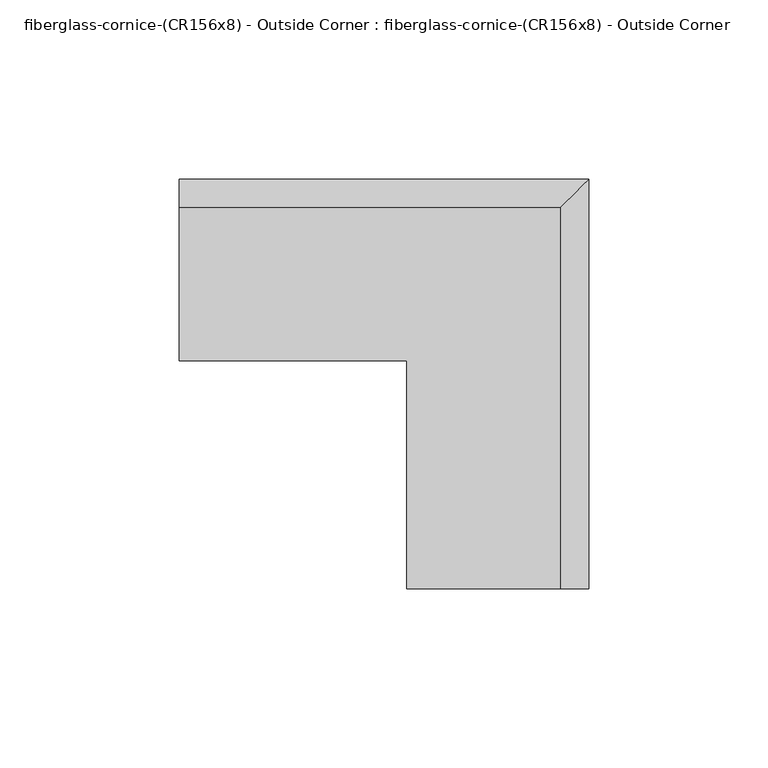
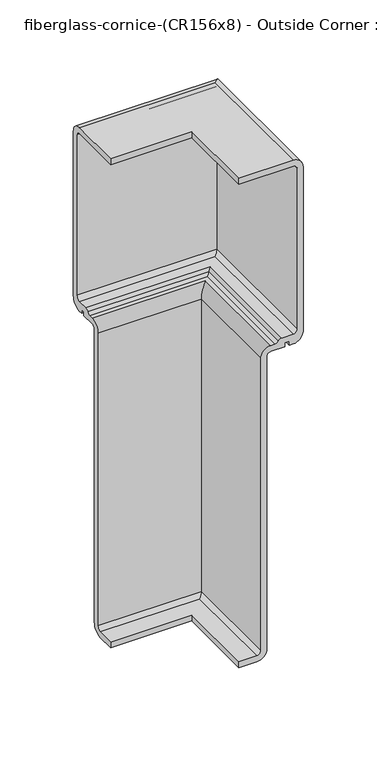
"""IFC4 building model written with IfcOpenShell, lengths in millimetres: furniture geometry, fiberglass-cornice-(CR156x8) - Outside Corner : fiberglass-cornice-(CR156x8) - Outside Corner."""

from ifc_helpers import new_model, si_unit, frame, origin, place, context, project, spatial, polyline, circle_curve, ellipse_curve, source, transform, mapped, element, save
from ifc_brep_helpers import plane_surface, cylinder_surface, revolved_surface, advanced_brep


def fiberglass_cornice_cr156x8_outside_corner_fiberglass_cornice_8d8a5fb3(model_context):
    return source(origin(), model_context, "Body", "AdvancedBrep", [
        advanced_brep(
        [(-196.9488213, 144.4626174, 330.199386), (-196.9488213, 152.4000055, 322.261886), (-196.9488213, 152.4000055, 185.6777256), (-196.9488213, 144.4625055, 177.7402256), (-196.9488213, 141.2875055, 177.7402256), (-196.9488213, 141.2875055, 180.8652557), (-196.9488213, 138.1125055, 180.8652557), (-196.9488213, 138.1125055, 177.7402256), (-196.9488213, 127.0000004, 177.7402256), (-196.9488213, 123.8250004, 174.5652256), (-196.9488213, 123.8250004, -68.2625121), (-196.9488213, 115.8875004, -76.2000121), (-196.9488213, 101.854256, -76.2000121), (-196.9488213, 101.854256, -71.4375121), (-196.9488213, 115.8875004, -71.4375121), (-196.9488213, 119.0625004, -68.2625121), (-196.9488213, 119.0625004, 174.5652256), (-196.9488213, 127.0000004, 182.5027256), (-196.9488213, 130.1750055, 182.5027256), (-196.9488213, 132.9100589, 184.0652406), (-196.9488213, 135.6451123, 185.6277557), (-196.9488213, 144.4625055, 185.6277557), (-196.9488213, 147.6375055, 188.8027557), (-196.9488213, 147.6375055, 322.261886), (-196.9488213, 144.4625055, 325.436886), (-196.9488213, 101.6, 325.436886), (-196.9488213, 101.6, 330.1999904), (-90.4869852, 38.0007813, 330.1999904), (-133.3496026, 38.0007813, 330.1999904), (-133.3496026, 38.0007813, 325.436886), (-90.4870971, 38.0007813, 325.436886), (-87.3120971, 38.0007813, 322.261886), (-87.3120971, 38.0007813, 188.8027557), (-90.4870971, 38.0007813, 185.6277557), (-99.3044903, 38.0007813, 185.6277557), (-102.0395437, 38.0007813, 184.0652406), (-104.7745971, 38.0007813, 182.5027256), (-107.9496022, 38.0007813, 182.5027256), (-115.8871022, 38.0007813, 174.5652256), (-115.8871022, 38.0007813, -68.2625121), (-119.0621022, 38.0007813, -71.4375121), (-133.0953466, 38.0007813, -71.4375121), (-133.0953466, 38.0007813, -76.2000121), (-119.0621022, 38.0007813, -76.2000121), (-111.1246022, 38.0007813, -68.2625121), (-111.1246022, 38.0007813, 174.5652256), (-107.9496022, 38.0007813, 177.7402256), (-96.8370971, 38.0007813, 177.7402256), (-96.8370971, 38.0007813, 180.8652557), (-93.6620971, 38.0007813, 180.8652557), (-93.6620971, 38.0007813, 177.7402256), (-90.4870971, 38.0007813, 177.7402256), (-82.5495971, 38.0007813, 185.6777256), (-82.5495971, 38.0007813, 322.261886), (-90.4869852, 144.4626174, 330.199386), (-82.5495971, 152.4000055, 322.261886), (-82.5495971, 152.4000055, 185.6777256), (-90.4870971, 144.4625055, 177.7402256), (-93.6620971, 141.2875055, 177.7402256), (-93.6620971, 141.2875055, 180.8652557), (-96.8370971, 138.1125055, 180.8652557), (-96.8370971, 138.1125055, 177.7402256), (-107.9496022, 127.0000004, 177.7402256), (-111.1246022, 123.8250004, 174.5652256), (-111.1246022, 123.8250004, -68.2625121), (-119.0621022, 115.8875004, -76.2000121), (-133.0953466, 101.854256, -76.2000121), (-133.0953466, 101.854256, -71.4375121), (-119.0621022, 115.8875004, -71.4375121), (-115.8871022, 119.0625004, -68.2625121), (-115.8871022, 119.0625004, 174.5652256), (-107.9496022, 127.0000004, 182.5027256), (-104.7745971, 130.1750055, 182.5027256), (-102.0395437, 132.9100589, 184.0652406), (-99.3044903, 135.6451123, 185.6277557), (-90.4870971, 144.4625055, 185.6277557), (-87.3120971, 147.6375055, 188.8027557), (-87.3120971, 147.6375055, 322.261886), (-90.4870971, 144.4625055, 325.436886), (-133.3496026, 101.6, 325.436886), (-133.3496026, 101.6, 330.1999904)],
        [
            (0, 1, circle_curve(frame((-196.9488213, 144.4625055, 322.261886), z_axis=(-1.0, 0.0, 0.0), x_axis=(0.0, 1.0, 0.0)), 7.9375)),
            (1, 2),
            (2, 3, circle_curve(frame((-196.9488213, 144.4625055, 185.6777256), z_axis=(-1.0, 0.0, 0.0), x_axis=(0.0, 1.0, 0.0)), 7.9375)),
            (3, 4),
            (4, 5),
            (5, 6),
            (6, 7),
            (7, 8),
            (8, 9, circle_curve(frame((-196.9488213, 127.0000004, 174.5652256), z_axis=(1.0, 0.0, 0.0), x_axis=(0.0, 1.0, 0.0)), 3.175)),
            (9, 10),
            (10, 11, circle_curve(frame((-196.9488213, 115.8875004, -68.2625121), z_axis=(-1.0, 0.0, 0.0), x_axis=(0.0, 1.0, 0.0)), 7.9375)),
            (11, 12),
            (12, 13),
            (13, 14),
            (14, 15, circle_curve(frame((-196.9488213, 115.8875004, -68.2625121), z_axis=(1.0, 0.0, 0.0), x_axis=(0.0, 1.0, 0.0)), 3.175)),
            (15, 16),
            (16, 17, circle_curve(frame((-196.9488213, 127.0000004, 174.5652256), z_axis=(-1.0, 0.0, 0.0), x_axis=(0.0, 1.0, 0.0)), 7.9375)),
            (17, 18),
            (18, 19, circle_curve(frame((-196.9488213, 130.1750055, 185.6777256), z_axis=(1.0, 0.0, 0.0), x_axis=(0.0, 1.0, 0.0)), 3.175)),
            (19, 20, circle_curve(frame((-196.9488213, 135.6451123, 182.4527557), z_axis=(-1.0, 0.0, 0.0), x_axis=(0.0, 1.0, 0.0)), 3.175)),
            (20, 21),
            (21, 22, circle_curve(frame((-196.9488213, 144.4625055, 188.8027557), z_axis=(1.0, 0.0, 0.0), x_axis=(0.0, 1.0, 0.0)), 3.175)),
            (22, 23),
            (23, 24, circle_curve(frame((-196.9488213, 144.4625055, 322.261886), z_axis=(1.0, 0.0, 0.0), x_axis=(0.0, 1.0, 0.0)), 3.175)),
            (24, 25),
            (25, 26),
            (26, 0),
            (27, 28),
            (28, 29),
            (29, 30),
            (30, 31, circle_curve(frame((-90.4870971, 38.0007813, 322.261886), z_axis=(0.0, 1.0, 0.0), x_axis=(1.0, 0.0, 0.0)), 3.175)),
            (31, 32),
            (32, 33, circle_curve(frame((-90.4870971, 38.0007813, 188.8027557), z_axis=(0.0, 1.0, 0.0), x_axis=(1.0, 0.0, 0.0)), 3.175)),
            (33, 34),
            (34, 35, circle_curve(frame((-99.3044903, 38.0007813, 182.4527557), z_axis=(0.0, -1.0, 0.0), x_axis=(1.0, 0.0, 0.0)), 3.175)),
            (35, 36, circle_curve(frame((-104.7745971, 38.0007813, 185.6777256), z_axis=(0.0, 1.0, 0.0), x_axis=(1.0, 0.0, 0.0)), 3.175)),
            (36, 37),
            (37, 38, circle_curve(frame((-107.9496022, 38.0007813, 174.5652256), z_axis=(0.0, -1.0, 0.0), x_axis=(1.0, 0.0, 0.0)), 7.9375)),
            (38, 39),
            (39, 40, circle_curve(frame((-119.0621022, 38.0007813, -68.2625121), z_axis=(0.0, 1.0, 0.0), x_axis=(1.0, 0.0, 0.0)), 3.175)),
            (40, 41),
            (41, 42),
            (42, 43),
            (43, 44, circle_curve(frame((-119.0621022, 38.0007813, -68.2625121), z_axis=(0.0, -1.0, 0.0), x_axis=(1.0, 0.0, 0.0)), 7.9375)),
            (44, 45),
            (45, 46, circle_curve(frame((-107.9496022, 38.0007813, 174.5652256), z_axis=(0.0, 1.0, 0.0), x_axis=(1.0, 0.0, 0.0)), 3.175)),
            (46, 47),
            (47, 48),
            (48, 49),
            (49, 50),
            (50, 51),
            (51, 52, circle_curve(frame((-90.4870971, 38.0007813, 185.6777256), z_axis=(0.0, -1.0, 0.0), x_axis=(1.0, 0.0, 0.0)), 7.9375)),
            (52, 53),
            (53, 27, circle_curve(frame((-90.4870971, 38.0007813, 322.261886), z_axis=(0.0, -1.0, 0.0), x_axis=(1.0, 0.0, 0.0)), 7.9375)),
            (0, 54),
            (54, 55, ellipse_curve(frame((-90.4870971, 144.4625055, 322.261886), z_axis=(-0.7071067811865563, 0.7071067811865387, 0.0), x_axis=(-0.7071067811865387, -0.7071067811865565, 0.0)), 11.2253202, 7.9375)),
            (55, 1),
            (55, 56),
            (56, 2),
            (56, 57, ellipse_curve(frame((-90.4870971, 144.4625055, 185.6777256), z_axis=(-0.7071067811865563, 0.7071067811865387, 0.0), x_axis=(-0.7071067811865387, -0.7071067811865565, 0.0)), 11.2253202, 7.9375)),
            (57, 3),
            (57, 51),
            (50, 58),
            (58, 4),
            (58, 59),
            (59, 5),
            (59, 49),
            (48, 60),
            (60, 6),
            (60, 61),
            (61, 7),
            (61, 47),
            (46, 62),
            (62, 8),
            (62, 63, ellipse_curve(frame((-107.9496022, 127.0000004, 174.5652256), z_axis=(0.7071067811865563, -0.7071067811865387, 0.0), x_axis=(0.7071067811865387, 0.7071067811865565, 0.0)), 4.4901281, 3.175)),
            (63, 9),
            (63, 64),
            (64, 10),
            (64, 65, ellipse_curve(frame((-119.0621022, 115.8875004, -68.2625121), z_axis=(-0.7071067811865563, 0.7071067811865387, 0.0), x_axis=(-0.7071067811865387, -0.7071067811865565, 0.0)), 11.2253202, 7.9375)),
            (65, 11),
            (65, 43),
            (42, 66),
            (66, 12),
            (66, 67),
            (67, 13),
            (67, 41),
            (40, 68),
            (68, 14),
            (68, 69, ellipse_curve(frame((-119.0621022, 115.8875004, -68.2625121), z_axis=(0.7071067811865563, -0.7071067811865387, 0.0), x_axis=(0.7071067811865387, 0.7071067811865565, 0.0)), 4.4901281, 3.175)),
            (69, 15),
            (69, 70),
            (70, 16),
            (70, 71, ellipse_curve(frame((-107.9496022, 127.0000004, 174.5652256), z_axis=(-0.7071067811865563, 0.7071067811865387, 0.0), x_axis=(-0.7071067811865387, -0.7071067811865565, 0.0)), 11.2253202, 7.9375)),
            (71, 17),
            (71, 37),
            (36, 72),
            (72, 18),
            (72, 73, ellipse_curve(frame((-104.7745971, 130.1750055, 185.6777256), z_axis=(0.7071067811865563, -0.7071067811865387, 0.0), x_axis=(0.7071067811865387, 0.7071067811865565, 0.0)), 4.4901281, 3.175)),
            (73, 19),
            (73, 74, ellipse_curve(frame((-99.3044903, 135.6451123, 182.4527557), z_axis=(-0.7071067811865563, 0.7071067811865387, 0.0), x_axis=(-0.7071067811865387, -0.7071067811865565, 0.0)), 4.4901281, 3.175)),
            (74, 20),
            (74, 34),
            (33, 75),
            (75, 21),
            (75, 76, ellipse_curve(frame((-90.4870971, 144.4625055, 188.8027557), z_axis=(0.7071067811865563, -0.7071067811865387, 0.0), x_axis=(0.7071067811865387, 0.7071067811865565, 0.0)), 4.4901281, 3.175)),
            (76, 22),
            (76, 77),
            (77, 23),
            (77, 78, ellipse_curve(frame((-90.4870971, 144.4625055, 322.261886), z_axis=(0.7071067811865563, -0.7071067811865387, 0.0), x_axis=(0.7071067811865387, 0.7071067811865565, 0.0)), 4.4901281, 3.175)),
            (78, 24),
            (78, 30),
            (29, 79),
            (79, 25),
            (79, 80),
            (80, 26),
            (80, 28),
            (27, 54),
            (53, 55),
            (52, 56),
            (45, 63),
            (44, 64),
            (39, 69),
            (38, 70),
            (35, 73),
            (32, 76),
            (31, 77),
        ],
        [
            plane_surface(frame((-196.9488213, 101.6, 330.1999904), z_axis=(-1.0, 0.0, 0.0), x_axis=(0.0, 0.0, 1.0))),
            plane_surface(frame((-133.3496026, 38.0007813, 330.1999904), z_axis=(0.0, -1.0, 0.0), x_axis=(0.0, 0.0, 1.0))),
            cylinder_surface(frame((-196.9488213, 144.4625055, 322.261886), z_axis=(-1.0, 0.0, 0.0), x_axis=(0.0, 1.0, 0.0)), 7.9375),
            plane_surface(frame((-196.9488213, 152.4000055, 322.261886), z_axis=(0.0, 1.0, 0.0), x_axis=(1.0, 0.0, 0.0))),
            cylinder_surface(frame((-196.9488213, 144.4625055, 185.6777256), z_axis=(-1.0, 0.0, 0.0), x_axis=(0.0, 1.0, 0.0)), 7.9375),
            plane_surface(frame((-196.9488213, 144.4625055, 177.7402256), z_axis=(0.0, 0.0, -1.0), x_axis=(1.0, 0.0, 0.0))),
            plane_surface(frame((-196.9488213, 141.2875055, 177.7402256), z_axis=(0.0, -1.0, 0.0), x_axis=(1.0, 0.0, 0.0))),
            plane_surface(frame((-196.9488213, 141.2875055, 180.8652557), z_axis=(0.0, 0.0, -1.0), x_axis=(1.0, 0.0, 0.0))),
            plane_surface(frame((-196.9488213, 138.1125055, 180.8652557), z_axis=(0.0, 1.0, 0.0), x_axis=(1.0, 0.0, 0.0))),
            plane_surface(frame((-196.9488213, 138.1125055, 177.7402256), z_axis=(0.0, 0.0, -1.0), x_axis=(1.0, 0.0, 0.0))),
            revolved_surface(polyline([(-104.77460217209378, 130.17500040000002, 174.5652256), (-196.9488213, 130.17500040000002, 174.5652256)]), (-196.9488213, 127.0000004, 174.5652256), (1.0, 0.0, 0.0)),
            plane_surface(frame((-196.9488213, 123.8250004, 174.5652256), z_axis=(0.0, 1.0, 0.0), x_axis=(1.0, 0.0, 0.0))),
            cylinder_surface(frame((-196.9488213, 115.8875004, -68.2625121), z_axis=(-1.0, 0.0, 0.0), x_axis=(0.0, 1.0, 0.0)), 7.9375),
            plane_surface(frame((-196.9488213, 115.8875004, -76.2000121), z_axis=(0.0, 0.0, -1.0), x_axis=(1.0, 0.0, 0.0))),
            plane_surface(frame((-196.9488213, 101.854256, -76.2000121), z_axis=(0.0, -1.0, 0.0), x_axis=(1.0, 0.0, 0.0))),
            plane_surface(frame((-196.9488213, 101.854256, -71.4375121), z_axis=(0.0, 0.0, 1.0), x_axis=(1.0, 0.0, 0.0))),
            revolved_surface(polyline([(-115.88710217209378, 119.06250039999999, -68.2625121), (-196.9488213, 119.06250039999999, -68.2625121)]), (-196.9488213, 115.8875004, -68.2625121), (1.0, 0.0, 0.0)),
            plane_surface(frame((-196.9488213, 119.0625004, -68.2625121), z_axis=(0.0, -1.0, 0.0), x_axis=(1.0, 0.0, 0.0))),
            cylinder_surface(frame((-196.9488213, 127.0000004, 174.5652256), z_axis=(-1.0, 0.0, 0.0), x_axis=(0.0, 1.0, 0.0)), 7.9375),
            plane_surface(frame((-196.9488213, 127.0000004, 182.5027256), z_axis=(0.0, 0.0, 1.0), x_axis=(1.0, 0.0, 0.0))),
            revolved_surface(polyline([(-101.59959707209377, 133.3500055, 185.6777256), (-196.9488213, 133.3500055, 185.6777256)]), (-196.9488213, 130.1750055, 185.6777256), (1.0, 0.0, 0.0)),
            cylinder_surface(frame((-196.9488213, 135.6451123, 182.4527557), z_axis=(-1.0, 0.0, 0.0), x_axis=(0.0, 1.0, 0.0)), 3.175),
            plane_surface(frame((-196.9488213, 135.6451123, 185.6277557), z_axis=(0.0, 0.0, 1.0), x_axis=(1.0, 0.0, 0.0))),
            revolved_surface(polyline([(-87.31209707209378, 147.6375055, 188.8027557), (-196.9488213, 147.6375055, 188.8027557)]), (-196.9488213, 144.4625055, 188.8027557), (1.0, 0.0, 0.0)),
            plane_surface(frame((-196.9488213, 147.6375055, 188.8027557), z_axis=(0.0, -1.0, 0.0), x_axis=(1.0, 0.0, 0.0))),
            revolved_surface(polyline([(-87.31209707209378, 147.6375055, 322.261886), (-196.9488213, 147.6375055, 322.261886)]), (-196.9488213, 144.4625055, 322.261886), (1.0, 0.0, 0.0)),
            plane_surface(frame((-196.9488213, 144.4625055, 325.436886), z_axis=(0.0, 0.0, -1.0), x_axis=(1.0, 0.0, 0.0))),
            plane_surface(frame((-196.9488213, 101.6, 325.436886), z_axis=(0.0, -1.0, 0.0), x_axis=(1.0, 0.0, 0.0))),
            plane_surface(frame((-196.9488213, 101.6, 330.1999904), z_axis=(0.0, 0.0, 1.0), x_axis=(1.0, 0.0, 0.0))),
            cylinder_surface(frame((-90.4870971, 101.6, 322.261886), z_axis=(0.0, 1.0, 0.0), x_axis=(1.0, 0.0, 0.0)), 7.9375),
            plane_surface(frame((-82.5495971, 152.4000055, 322.261886), z_axis=(1.0, 0.0, 0.0), x_axis=(0.0, -1.0, 0.0))),
            cylinder_surface(frame((-90.4870971, 101.6, 185.6777256), z_axis=(0.0, 1.0, 0.0), x_axis=(1.0, 0.0, 0.0)), 7.9375),
            plane_surface(frame((-93.6620971, 141.2875055, 177.7402256), z_axis=(-1.0, 0.0, 0.0), x_axis=(0.0, -1.0, 0.0))),
            plane_surface(frame((-96.8370971, 138.1125055, 180.8652557), z_axis=(1.0, 0.0, 0.0), x_axis=(0.0, -1.0, 0.0))),
            revolved_surface(polyline([(-104.7746022, 38.0007813, 174.5652256), (-104.7746022, 130.1750004279063, 174.5652256)]), (-107.9496022, 101.6, 174.5652256), (0.0, -1.0, 0.0)),
            plane_surface(frame((-111.1246022, 123.8250004, 174.5652256), z_axis=(1.0, 0.0, 0.0), x_axis=(0.0, -1.0, 0.0))),
            cylinder_surface(frame((-119.0621022, 101.6, -68.2625121), z_axis=(0.0, 1.0, 0.0), x_axis=(1.0, 0.0, 0.0)), 7.9375),
            plane_surface(frame((-133.0953466, 101.854256, -76.2000121), z_axis=(-1.0, 0.0, 0.0), x_axis=(0.0, -1.0, 0.0))),
            revolved_surface(polyline([(-115.8871022, 38.0007813, -68.2625121), (-115.8871022, 119.0625004279063, -68.2625121)]), (-119.0621022, 101.6, -68.2625121), (0.0, -1.0, 0.0)),
            plane_surface(frame((-115.8871022, 119.0625004, -68.2625121), z_axis=(-1.0, 0.0, 0.0), x_axis=(0.0, -1.0, 0.0))),
            cylinder_surface(frame((-107.9496022, 101.6, 174.5652256), z_axis=(0.0, 1.0, 0.0), x_axis=(1.0, 0.0, 0.0)), 7.9375),
            revolved_surface(polyline([(-101.5995971, 38.0007813, 185.6777256), (-101.5995971, 133.35000552790632, 185.6777256)]), (-104.7745971, 101.6, 185.6777256), (0.0, -1.0, 0.0)),
            cylinder_surface(frame((-99.3044903, 101.6, 182.4527557), z_axis=(0.0, 1.0, 0.0), x_axis=(1.0, 0.0, 0.0)), 3.175),
            revolved_surface(polyline([(-87.3120971, 38.0007813, 188.8027557), (-87.3120971, 147.63750552790628, 188.8027557)]), (-90.4870971, 101.6, 188.8027557), (0.0, -1.0, 0.0)),
            plane_surface(frame((-87.3120971, 147.6375055, 188.8027557), z_axis=(-1.0, 0.0, 0.0), x_axis=(0.0, -1.0, 0.0))),
            revolved_surface(polyline([(-87.3120971, 38.0007813, 322.261886), (-87.3120971, 147.63750552790628, 322.261886)]), (-90.4870971, 101.6, 322.261886), (0.0, -1.0, 0.0)),
            plane_surface(frame((-133.3496026, 101.6, 325.436886), z_axis=(-1.0, 0.0, 0.0), x_axis=(0.0, -1.0, 0.0))),
        ],
        [
            (0, [[1, 2, 3, 4, 5, 6, 7, 8, 9, 10, 11, 12, 13, 14, 15, 16, 17, 18, 19, 20, 21, 22, 23, 24, 25, 26, 27]]),
            (1, [[28, 29, 30, 31, 32, 33, 34, 35, 36, 37, 38, 39, 40, 41, 42, 43, 44, 45, 46, 47, 48, 49, 50, 51, 52, 53, 54]]),
            (2, [[-1, 55, 56, 57]]),
            (3, [[-2, -57, 58, 59]]),
            (4, [[-3, -59, 60, 61]]),
            (5, [[-4, -61, 62, -51, 63, 64]]),
            (6, [[-5, -64, 65, 66]]),
            (7, [[-6, -66, 67, -49, 68, 69]]),
            (8, [[-7, -69, 70, 71]]),
            (9, [[-8, -71, 72, -47, 73, 74]]),
            (10, [[-9, -74, 75, 76]]),
            (11, [[-10, -76, 77, 78]]),
            (12, [[-11, -78, 79, 80]]),
            (13, [[-12, -80, 81, -43, 82, 83]]),
            (14, [[-13, -83, 84, 85]]),
            (15, [[-14, -85, 86, -41, 87, 88]]),
            (16, [[-15, -88, 89, 90]]),
            (17, [[-16, -90, 91, 92]]),
            (18, [[-17, -92, 93, 94]]),
            (19, [[-18, -94, 95, -37, 96, 97]]),
            (20, [[-19, -97, 98, 99]]),
            (21, [[-20, -99, 100, 101]]),
            (22, [[-21, -101, 102, -34, 103, 104]]),
            (23, [[-22, -104, 105, 106]]),
            (24, [[-23, -106, 107, 108]]),
            (25, [[-24, -108, 109, 110]]),
            (26, [[-25, -110, 111, -30, 112, 113]]),
            (27, [[-26, -113, 114, 115]]),
            (28, [[-27, -115, 116, -28, 117, -55]]),
            (29, [[-56, -117, -54, 118]]),
            (30, [[-58, -118, -53, 119]]),
            (31, [[-60, -119, -52, -62]]),
            (32, [[-65, -63, -50, -67]]),
            (33, [[-70, -68, -48, -72]]),
            (34, [[-75, -73, -46, 120]]),
            (35, [[-77, -120, -45, 121]]),
            (36, [[-79, -121, -44, -81]]),
            (37, [[-84, -82, -42, -86]]),
            (38, [[-89, -87, -40, 122]]),
            (39, [[-91, -122, -39, 123]]),
            (40, [[-93, -123, -38, -95]]),
            (41, [[-98, -96, -36, 124]]),
            (42, [[-100, -124, -35, -102]]),
            (43, [[-105, -103, -33, 125]]),
            (44, [[-107, -125, -32, 126]]),
            (45, [[-109, -126, -31, -111]]),
            (46, [[-114, -112, -29, -116]]),
        ],
    ),
    ])


if __name__ == "__main__":
    model = new_model("IFC4")
    model_context = context("Model", 3, world=origin())
    ifc_project = project(units=[si_unit("LENGTHUNIT", "METRE", prefix="MILLI")], contexts=[model_context])
    site = spatial("IfcSite", under=ifc_project)
    building = spatial("IfcBuilding", under=site)
    placement = place(None, origin())
    fiberglass_cornice_cr156x8_outside_corner_fiberglass_cornice_shape = fiberglass_cornice_cr156x8_outside_corner_fiberglass_cornice_8d8a5fb3(model_context)
    element("IfcFurniture", 1, ObjectType="fiberglass-cornice-(CR156x8) - Outside Corner : fiberglass-cornice-(CR156x8) - Outside Corner", at=placement, inside=building, context=model_context, shape_type="MappedRepresentation", body=[
        mapped(fiberglass_cornice_cr156x8_outside_corner_fiberglass_cornice_shape, transform((0.0, 0.0, 0.0), x_axis=(1.0, 0.0, 0.0), y_axis=(0.0, 1.0, 0.0), z_axis=(0.0, 0.0, 1.0))),
    ])
    save(model, "model.ifc")
